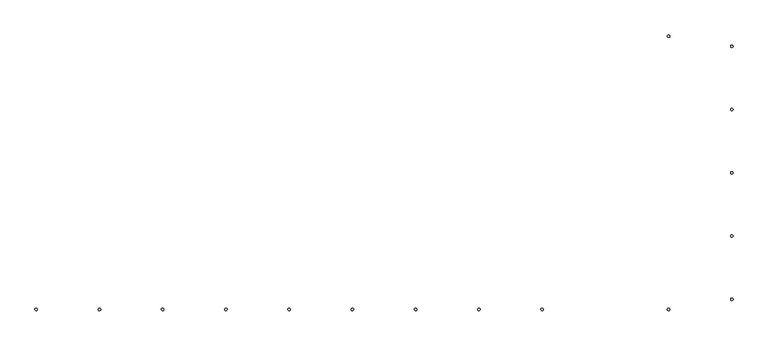
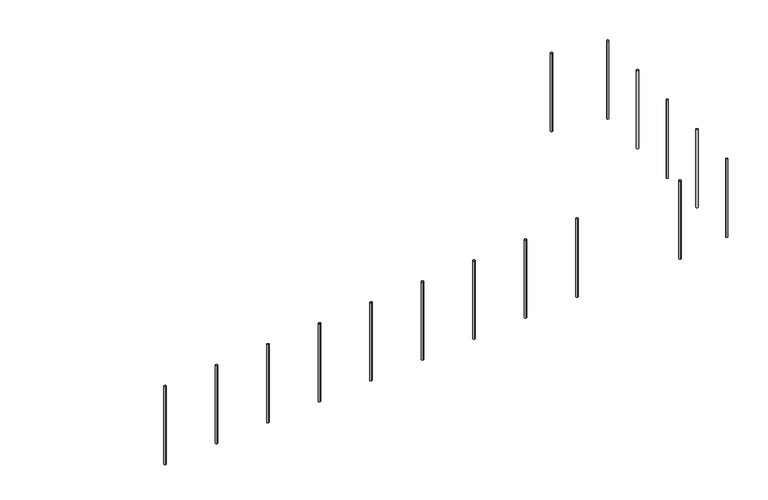
"""IFC4 building model written with IfcOpenShell, lengths in millimetres: railing geometry."""

from ifc_helpers import new_model, si_unit, point, frame, frame_2d, origin, place, context, project, spatial, circle_curve, ellipse_curve, trimmed, segment, composite_curve, outline, extrude, source, transform, mapped, element, save
from ifc_brep_helpers import plane_surface, cylinder_surface, advanced_brep


def railing_c89f53fb(model_context):
    return source(origin(), model_context, "Body", "SolidModel", [
        extrude(outline(composite_curve([segment(trimmed(circle_curve(frame_2d((-5739.9887159, -18536.8920513)), 10.0), [point((-5739.9887159, -18526.8920513))], [point((-5739.9887159, -18546.8920513))], False, "CARTESIAN"), True, "CONTINUOUS"), segment(trimmed(circle_curve(frame_2d((-5739.9887159, -18536.8920513)), 10.0), [point((-5739.9887159, -18546.8920513))], [point((-5739.9887159, -18526.8920513))], False, "CARTESIAN"), True, "CONTINUOUS")], self_intersect=False)), frame((0.0, 0.0, -740.0), z_axis=(0.0, 0.0, 1.0), x_axis=(1.0, 0.0, 0.0)), (0.0, 0.0, 1.0), 800.0),
        extrude(outline(composite_curve([segment(trimmed(circle_curve(frame_2d((-5239.9887159, -18616.8920513)), 10.0), [point((-5229.9887159, -18616.8920513))], [point((-5249.9887159, -18616.8920513))], False, "CARTESIAN"), True, "CONTINUOUS"), segment(trimmed(circle_curve(frame_2d((-5239.9887159, -18616.8920513)), 10.0), [point((-5249.9887159, -18616.8920513))], [point((-5229.9887159, -18616.8920513))], False, "CARTESIAN"), True, "CONTINUOUS")], self_intersect=False)), frame((0.0, 0.0, -740.0), z_axis=(0.0, 0.0, 1.0), x_axis=(1.0, 0.0, 0.0)), (0.0, 0.0, 1.0), 800.0),
        extrude(outline(composite_curve([segment(trimmed(circle_curve(frame_2d((-5239.9887159, -19116.8920513)), 10.0), [point((-5229.9887159, -19116.8920513))], [point((-5249.9887159, -19116.8920513))], False, "CARTESIAN"), True, "CONTINUOUS"), segment(trimmed(circle_curve(frame_2d((-5239.9887159, -19116.8920513)), 10.0), [point((-5249.9887159, -19116.8920513))], [point((-5229.9887159, -19116.8920513))], False, "CARTESIAN"), True, "CONTINUOUS")], self_intersect=False)), frame((0.0, 0.0, -740.0), z_axis=(0.0, 0.0, 1.0), x_axis=(1.0, 0.0, 0.0)), (0.0, 0.0, 1.0), 800.0),
        extrude(outline(composite_curve([segment(trimmed(circle_curve(frame_2d((-5239.9887159, -19616.8920513)), 10.0), [point((-5229.9887159, -19616.8920513))], [point((-5249.9887159, -19616.8920513))], False, "CARTESIAN"), True, "CONTINUOUS"), segment(trimmed(circle_curve(frame_2d((-5239.9887159, -19616.8920513)), 10.0), [point((-5249.9887159, -19616.8920513))], [point((-5229.9887159, -19616.8920513))], False, "CARTESIAN"), True, "CONTINUOUS")], self_intersect=False)), frame((0.0, 0.0, -740.0), z_axis=(0.0, 0.0, 1.0), x_axis=(1.0, 0.0, 0.0)), (0.0, 0.0, 1.0), 800.0),
        extrude(outline(composite_curve([segment(trimmed(circle_curve(frame_2d((-5239.9887159, -20116.8920513)), 10.0), [point((-5229.9887159, -20116.8920513))], [point((-5249.9887159, -20116.8920513))], False, "CARTESIAN"), True, "CONTINUOUS"), segment(trimmed(circle_curve(frame_2d((-5239.9887159, -20116.8920513)), 10.0), [point((-5249.9887159, -20116.8920513))], [point((-5229.9887159, -20116.8920513))], False, "CARTESIAN"), True, "CONTINUOUS")], self_intersect=False)), frame((0.0, 0.0, -740.0), z_axis=(0.0, 0.0, 1.0), x_axis=(1.0, 0.0, 0.0)), (0.0, 0.0, 1.0), 800.0),
        extrude(outline(composite_curve([segment(trimmed(circle_curve(frame_2d((-5239.9887159, -20616.8920513)), 10.0), [point((-5229.9887159, -20616.8920513))], [point((-5249.9887159, -20616.8920513))], False, "CARTESIAN"), True, "CONTINUOUS"), segment(trimmed(circle_curve(frame_2d((-5239.9887159, -20616.8920513)), 10.0), [point((-5249.9887159, -20616.8920513))], [point((-5229.9887159, -20616.8920513))], False, "CARTESIAN"), True, "CONTINUOUS")], self_intersect=False)), frame((0.0, 0.0, -740.0), z_axis=(0.0, 0.0, 1.0), x_axis=(1.0, 0.0, 0.0)), (0.0, 0.0, 1.0), 800.0),
        extrude(outline(composite_curve([segment(trimmed(circle_curve(frame_2d((-5739.9887159, -20696.8920513)), 10.0), [point((-5739.9887159, -20706.8920513))], [point((-5739.9887159, -20686.8920513))], False, "CARTESIAN"), True, "CONTINUOUS"), segment(trimmed(circle_curve(frame_2d((-5739.9887159, -20696.8920513)), 10.0), [point((-5739.9887159, -20686.8920513))], [point((-5739.9887159, -20706.8920513))], False, "CARTESIAN"), True, "CONTINUOUS")], self_intersect=False)), frame((0.0, 0.0, -740.0), z_axis=(0.0, 0.0, 1.0), x_axis=(1.0, 0.0, 0.0)), (0.0, 0.0, 1.0), 800.0),
        advanced_brep(
        [(-6739.9887159, -20686.8920513, 19.8722041), (-6739.9887159, -20706.8920513, 19.8722041), (-6739.9887159, -20706.8920513, -780.0), (-6739.9887159, -20686.8920513, -780.0)],
        [
            (0, 1, ellipse_curve(frame((-6739.9887159, -20696.8920513, 19.8722041), z_axis=(0.07974522228288877, 0.0, -0.9968152785361252), x_axis=(0.9968152785361252, 0.0, 0.07974522228288722)), 10.031949, 10.0)),
            (1, 2),
            (2, 3, ellipse_curve(frame((-6739.9887159, -20696.8920513, -780.0), z_axis=(-0.07974522228288976, 0.0, 0.9968152785361251), x_axis=(0.9968152785361251, 0.0, 0.07974522228288902)), 10.031949, 10.0)),
            (3, 0),
            (3, 2, ellipse_curve(frame((-6739.9887159, -20696.8920513, -780.0), z_axis=(-0.07974522228288976, 0.0, 0.9968152785361251), x_axis=(0.9968152785361251, 0.0, 0.07974522228288902)), 10.031949, 10.0)),
            (1, 0, ellipse_curve(frame((-6739.9887159, -20696.8920513, 19.8722041), z_axis=(0.07974522228288877, 0.0, -0.9968152785361252), x_axis=(0.9968152785361252, 0.0, 0.07974522228288722)), 10.031949, 10.0)),
        ],
        [
            cylinder_surface(frame((-6739.9887159, -20696.8920513, -880.0), z_axis=(0.0, 0.0, 1.0), x_axis=(0.0, -1.0, 0.0)), 10.0),
            plane_surface(frame((-6719.9887159, -20716.8920513, 21.4722041), z_axis=(-0.07974522228288877, 0.0, 0.9968152785361252), x_axis=(0.0, 1.0, 0.0))),
            plane_surface(frame((-6759.9887159, -20716.8920513, -781.6), z_axis=(0.07974522228288976, 0.0, -0.9968152785361251), x_axis=(0.0, 1.0, 0.0))),
        ],
        [
            (0, [[1, 2, 3, 4]]),
            (0, [[5, -2, 6, -4]]),
            (1, [[-6, -1]]),
            (2, [[-5, -3]]),
        ],
    ),
        advanced_brep(
        [(-7239.9887159, -20686.8920513, -20.1277959), (-7239.9887159, -20706.8920513, -20.1277959), (-7239.9887159, -20706.8920513, -820.0), (-7239.9887159, -20686.8920513, -820.0)],
        [
            (0, 1, ellipse_curve(frame((-7239.9887159, -20696.8920513, -20.1277959), z_axis=(0.07974522228288877, 0.0, -0.9968152785361252), x_axis=(0.9968152785361252, 0.0, 0.07974522228288722)), 10.031949, 10.0)),
            (1, 2),
            (2, 3, ellipse_curve(frame((-7239.9887159, -20696.8920513, -820.0), z_axis=(-0.07974522228288976, 0.0, 0.9968152785361251), x_axis=(0.9968152785361251, 0.0, 0.07974522228288902)), 10.031949, 10.0)),
            (3, 0),
            (3, 2, ellipse_curve(frame((-7239.9887159, -20696.8920513, -820.0), z_axis=(-0.07974522228288976, 0.0, 0.9968152785361251), x_axis=(0.9968152785361251, 0.0, 0.07974522228288902)), 10.031949, 10.0)),
            (1, 0, ellipse_curve(frame((-7239.9887159, -20696.8920513, -20.1277959), z_axis=(0.07974522228288877, 0.0, -0.9968152785361252), x_axis=(0.9968152785361252, 0.0, 0.07974522228288722)), 10.031949, 10.0)),
        ],
        [
            cylinder_surface(frame((-7239.9887159, -20696.8920513, -920.0), z_axis=(0.0, 0.0, 1.0), x_axis=(0.0, -1.0, 0.0)), 10.0),
            plane_surface(frame((-7219.9887159, -20716.8920513, -18.5277959), z_axis=(-0.07974522228288877, 0.0, 0.9968152785361252), x_axis=(0.0, 1.0, 0.0))),
            plane_surface(frame((-7259.9887159, -20716.8920513, -821.6), z_axis=(0.07974522228288976, 0.0, -0.9968152785361251), x_axis=(0.0, 1.0, 0.0))),
        ],
        [
            (0, [[1, 2, 3, 4]]),
            (0, [[5, -2, 6, -4]]),
            (1, [[-6, -1]]),
            (2, [[-5, -3]]),
        ],
    ),
        advanced_brep(
        [(-7739.9887159, -20686.8920513, -60.1277959), (-7739.9887159, -20706.8920513, -60.1277959), (-7739.9887159, -20706.8920513, -860.0), (-7739.9887159, -20686.8920513, -860.0)],
        [
            (0, 1, ellipse_curve(frame((-7739.9887159, -20696.8920513, -60.1277959), z_axis=(0.07974522228288877, 0.0, -0.9968152785361252), x_axis=(0.9968152785361252, 0.0, 0.07974522228288722)), 10.031949, 10.0)),
            (1, 2),
            (2, 3, ellipse_curve(frame((-7739.9887159, -20696.8920513, -860.0), z_axis=(-0.07974522228288976, 0.0, 0.9968152785361251), x_axis=(0.9968152785361251, 0.0, 0.07974522228288902)), 10.031949, 10.0)),
            (3, 0),
            (3, 2, ellipse_curve(frame((-7739.9887159, -20696.8920513, -860.0), z_axis=(-0.07974522228288976, 0.0, 0.9968152785361251), x_axis=(0.9968152785361251, 0.0, 0.07974522228288902)), 10.031949, 10.0)),
            (1, 0, ellipse_curve(frame((-7739.9887159, -20696.8920513, -60.1277959), z_axis=(0.07974522228288877, 0.0, -0.9968152785361252), x_axis=(0.9968152785361252, 0.0, 0.07974522228288722)), 10.031949, 10.0)),
        ],
        [
            cylinder_surface(frame((-7739.9887159, -20696.8920513, -960.0), z_axis=(0.0, 0.0, 1.0), x_axis=(0.0, -1.0, 0.0)), 10.0),
            plane_surface(frame((-7719.9887159, -20716.8920513, -58.5277959), z_axis=(-0.07974522228288877, 0.0, 0.9968152785361252), x_axis=(0.0, 1.0, 0.0))),
            plane_surface(frame((-7759.9887159, -20716.8920513, -861.6), z_axis=(0.07974522228288976, 0.0, -0.9968152785361251), x_axis=(0.0, 1.0, 0.0))),
        ],
        [
            (0, [[1, 2, 3, 4]]),
            (0, [[5, -2, 6, -4]]),
            (1, [[-6, -1]]),
            (2, [[-5, -3]]),
        ],
    ),
        advanced_brep(
        [(-8239.9887159, -20686.8920513, -100.1277959), (-8239.9887159, -20706.8920513, -100.1277959), (-8239.9887159, -20706.8920513, -900.0), (-8239.9887159, -20686.8920513, -900.0)],
        [
            (0, 1, ellipse_curve(frame((-8239.9887159, -20696.8920513, -100.1277959), z_axis=(0.07974522228288877, 0.0, -0.9968152785361252), x_axis=(0.9968152785361252, 0.0, 0.07974522228288722)), 10.031949, 10.0)),
            (1, 2),
            (2, 3, ellipse_curve(frame((-8239.9887159, -20696.8920513, -900.0), z_axis=(-0.07974522228288976, 0.0, 0.9968152785361251), x_axis=(0.9968152785361251, 0.0, 0.07974522228288902)), 10.031949, 10.0)),
            (3, 0),
            (3, 2, ellipse_curve(frame((-8239.9887159, -20696.8920513, -900.0), z_axis=(-0.07974522228288976, 0.0, 0.9968152785361251), x_axis=(0.9968152785361251, 0.0, 0.07974522228288902)), 10.031949, 10.0)),
            (1, 0, ellipse_curve(frame((-8239.9887159, -20696.8920513, -100.1277959), z_axis=(0.07974522228288877, 0.0, -0.9968152785361252), x_axis=(0.9968152785361252, 0.0, 0.07974522228288722)), 10.031949, 10.0)),
        ],
        [
            cylinder_surface(frame((-8239.9887159, -20696.8920513, -1000.0), z_axis=(0.0, 0.0, 1.0), x_axis=(0.0, -1.0, 0.0)), 10.0),
            plane_surface(frame((-8219.9887159, -20716.8920513, -98.5277959), z_axis=(-0.07974522228288877, 0.0, 0.9968152785361252), x_axis=(0.0, 1.0, 0.0))),
            plane_surface(frame((-8259.9887159, -20716.8920513, -901.6), z_axis=(0.07974522228288976, 0.0, -0.9968152785361251), x_axis=(0.0, 1.0, 0.0))),
        ],
        [
            (0, [[1, 2, 3, 4]]),
            (0, [[5, -2, 6, -4]]),
            (1, [[-6, -1]]),
            (2, [[-5, -3]]),
        ],
    ),
        advanced_brep(
        [(-8739.9887159, -20686.8920513, -140.1277959), (-8739.9887159, -20706.8920513, -140.1277959), (-8739.9887159, -20706.8920513, -940.0), (-8739.9887159, -20686.8920513, -940.0)],
        [
            (0, 1, ellipse_curve(frame((-8739.9887159, -20696.8920513, -140.1277959), z_axis=(0.07974522228288877, 0.0, -0.9968152785361252), x_axis=(0.9968152785361252, 0.0, 0.07974522228288722)), 10.031949, 10.0)),
            (1, 2),
            (2, 3, ellipse_curve(frame((-8739.9887159, -20696.8920513, -940.0), z_axis=(-0.07974522228288976, 0.0, 0.9968152785361251), x_axis=(0.9968152785361251, 0.0, 0.07974522228288902)), 10.031949, 10.0)),
            (3, 0),
            (3, 2, ellipse_curve(frame((-8739.9887159, -20696.8920513, -940.0), z_axis=(-0.07974522228288976, 0.0, 0.9968152785361251), x_axis=(0.9968152785361251, 0.0, 0.07974522228288902)), 10.031949, 10.0)),
            (1, 0, ellipse_curve(frame((-8739.9887159, -20696.8920513, -140.1277959), z_axis=(0.07974522228288877, 0.0, -0.9968152785361252), x_axis=(0.9968152785361252, 0.0, 0.07974522228288722)), 10.031949, 10.0)),
        ],
        [
            cylinder_surface(frame((-8739.9887159, -20696.8920513, -1040.0), z_axis=(0.0, 0.0, 1.0), x_axis=(0.0, -1.0, 0.0)), 10.0),
            plane_surface(frame((-8719.9887159, -20716.8920513, -138.5277959), z_axis=(-0.07974522228288877, 0.0, 0.9968152785361252), x_axis=(0.0, 1.0, 0.0))),
            plane_surface(frame((-8759.9887159, -20716.8920513, -941.6), z_axis=(0.07974522228288976, 0.0, -0.9968152785361251), x_axis=(0.0, 1.0, 0.0))),
        ],
        [
            (0, [[1, 2, 3, 4]]),
            (0, [[5, -2, 6, -4]]),
            (1, [[-6, -1]]),
            (2, [[-5, -3]]),
        ],
    ),
        advanced_brep(
        [(-9239.9887159, -20686.8920513, -180.1277959), (-9239.9887159, -20706.8920513, -180.1277959), (-9239.9887159, -20706.8920513, -980.0), (-9239.9887159, -20686.8920513, -980.0)],
        [
            (0, 1, ellipse_curve(frame((-9239.9887159, -20696.8920513, -180.1277959), z_axis=(0.07974522228288877, 0.0, -0.9968152785361252), x_axis=(0.9968152785361252, 0.0, 0.07974522228288722)), 10.031949, 10.0)),
            (1, 2),
            (2, 3, ellipse_curve(frame((-9239.9887159, -20696.8920513, -980.0), z_axis=(-0.07974522228288976, 0.0, 0.9968152785361251), x_axis=(0.9968152785361251, 0.0, 0.07974522228288902)), 10.031949, 10.0)),
            (3, 0),
            (3, 2, ellipse_curve(frame((-9239.9887159, -20696.8920513, -980.0), z_axis=(-0.07974522228288976, 0.0, 0.9968152785361251), x_axis=(0.9968152785361251, 0.0, 0.07974522228288902)), 10.031949, 10.0)),
            (1, 0, ellipse_curve(frame((-9239.9887159, -20696.8920513, -180.1277959), z_axis=(0.07974522228288877, 0.0, -0.9968152785361252), x_axis=(0.9968152785361252, 0.0, 0.07974522228288722)), 10.031949, 10.0)),
        ],
        [
            cylinder_surface(frame((-9239.9887159, -20696.8920513, -1080.0), z_axis=(0.0, 0.0, 1.0), x_axis=(0.0, -1.0, 0.0)), 10.0),
            plane_surface(frame((-9219.9887159, -20716.8920513, -178.5277959), z_axis=(-0.07974522228288877, 0.0, 0.9968152785361252), x_axis=(0.0, 1.0, 0.0))),
            plane_surface(frame((-9259.9887159, -20716.8920513, -981.6), z_axis=(0.07974522228288976, 0.0, -0.9968152785361251), x_axis=(0.0, 1.0, 0.0))),
        ],
        [
            (0, [[1, 2, 3, 4]]),
            (0, [[5, -2, 6, -4]]),
            (1, [[-6, -1]]),
            (2, [[-5, -3]]),
        ],
    ),
        advanced_brep(
        [(-9739.9887159, -20686.8920513, -220.1277959), (-9739.9887159, -20706.8920513, -220.1277959), (-9739.9887159, -20706.8920513, -1020.0), (-9739.9887159, -20686.8920513, -1020.0)],
        [
            (0, 1, ellipse_curve(frame((-9739.9887159, -20696.8920513, -220.1277959), z_axis=(0.07974522228288877, 0.0, -0.9968152785361252), x_axis=(0.9968152785361252, 0.0, 0.07974522228288722)), 10.031949, 10.0)),
            (1, 2),
            (2, 3, ellipse_curve(frame((-9739.9887159, -20696.8920513, -1020.0), z_axis=(-0.07974522228288976, 0.0, 0.9968152785361251), x_axis=(0.9968152785361251, 0.0, 0.07974522228288902)), 10.031949, 10.0)),
            (3, 0),
            (3, 2, ellipse_curve(frame((-9739.9887159, -20696.8920513, -1020.0), z_axis=(-0.07974522228288976, 0.0, 0.9968152785361251), x_axis=(0.9968152785361251, 0.0, 0.07974522228288902)), 10.031949, 10.0)),
            (1, 0, ellipse_curve(frame((-9739.9887159, -20696.8920513, -220.1277959), z_axis=(0.07974522228288877, 0.0, -0.9968152785361252), x_axis=(0.9968152785361252, 0.0, 0.07974522228288722)), 10.031949, 10.0)),
        ],
        [
            cylinder_surface(frame((-9739.9887159, -20696.8920513, -1120.0), z_axis=(0.0, 0.0, 1.0), x_axis=(0.0, -1.0, 0.0)), 10.0),
            plane_surface(frame((-9719.9887159, -20716.8920513, -218.5277959), z_axis=(-0.07974522228288877, 0.0, 0.9968152785361252), x_axis=(0.0, 1.0, 0.0))),
            plane_surface(frame((-9759.9887159, -20716.8920513, -1021.6), z_axis=(0.07974522228288976, 0.0, -0.9968152785361251), x_axis=(0.0, 1.0, 0.0))),
        ],
        [
            (0, [[1, 2, 3, 4]]),
            (0, [[5, -2, 6, -4]]),
            (1, [[-6, -1]]),
            (2, [[-5, -3]]),
        ],
    ),
        advanced_brep(
        [(-10239.9887159, -20686.8920513, -260.1277959), (-10239.9887159, -20706.8920513, -260.1277959), (-10239.9887159, -20706.8920513, -1060.0), (-10239.9887159, -20686.8920513, -1060.0)],
        [
            (0, 1, ellipse_curve(frame((-10239.9887159, -20696.8920513, -260.1277959), z_axis=(0.07974522228288877, 0.0, -0.9968152785361252), x_axis=(0.9968152785361252, 0.0, 0.07974522228288722)), 10.031949, 10.0)),
            (1, 2),
            (2, 3, ellipse_curve(frame((-10239.9887159, -20696.8920513, -1060.0), z_axis=(-0.07974522228288976, 0.0, 0.9968152785361251), x_axis=(0.9968152785361251, 0.0, 0.07974522228288902)), 10.031949, 10.0)),
            (3, 0),
            (3, 2, ellipse_curve(frame((-10239.9887159, -20696.8920513, -1060.0), z_axis=(-0.07974522228288976, 0.0, 0.9968152785361251), x_axis=(0.9968152785361251, 0.0, 0.07974522228288902)), 10.031949, 10.0)),
            (1, 0, ellipse_curve(frame((-10239.9887159, -20696.8920513, -260.1277959), z_axis=(0.07974522228288877, 0.0, -0.9968152785361252), x_axis=(0.9968152785361252, 0.0, 0.07974522228288722)), 10.031949, 10.0)),
        ],
        [
            cylinder_surface(frame((-10239.9887159, -20696.8920513, -1160.0), z_axis=(0.0, 0.0, 1.0), x_axis=(0.0, -1.0, 0.0)), 10.0),
            plane_surface(frame((-10219.9887159, -20716.8920513, -258.5277959), z_axis=(-0.07974522228288877, 0.0, 0.9968152785361252), x_axis=(0.0, 1.0, 0.0))),
            plane_surface(frame((-10259.9887159, -20716.8920513, -1061.6), z_axis=(0.07974522228288976, 0.0, -0.9968152785361251), x_axis=(0.0, 1.0, 0.0))),
        ],
        [
            (0, [[1, 2, 3, 4]]),
            (0, [[5, -2, 6, -4]]),
            (1, [[-6, -1]]),
            (2, [[-5, -3]]),
        ],
    ),
        advanced_brep(
        [(-10739.9887159, -20686.8920513, -300.1277959), (-10739.9887159, -20706.8920513, -300.1277959), (-10739.9887159, -20706.8920513, -1100.0), (-10739.9887159, -20686.8920513, -1100.0)],
        [
            (0, 1, ellipse_curve(frame((-10739.9887159, -20696.8920513, -300.1277959), z_axis=(0.07974522228288877, 0.0, -0.9968152785361252), x_axis=(0.9968152785361252, 0.0, 0.07974522228288722)), 10.031949, 10.0)),
            (1, 2),
            (2, 3, ellipse_curve(frame((-10739.9887159, -20696.8920513, -1100.0), z_axis=(-0.07974522228288976, 0.0, 0.9968152785361251), x_axis=(0.9968152785361251, 0.0, 0.07974522228288902)), 10.031949, 10.0)),
            (3, 0),
            (3, 2, ellipse_curve(frame((-10739.9887159, -20696.8920513, -1100.0), z_axis=(-0.07974522228288976, 0.0, 0.9968152785361251), x_axis=(0.9968152785361251, 0.0, 0.07974522228288902)), 10.031949, 10.0)),
            (1, 0, ellipse_curve(frame((-10739.9887159, -20696.8920513, -300.1277959), z_axis=(0.07974522228288877, 0.0, -0.9968152785361252), x_axis=(0.9968152785361252, 0.0, 0.07974522228288722)), 10.031949, 10.0)),
        ],
        [
            cylinder_surface(frame((-10739.9887159, -20696.8920513, -1200.0), z_axis=(0.0, 0.0, 1.0), x_axis=(0.0, -1.0, 0.0)), 10.0),
            plane_surface(frame((-10719.9887159, -20716.8920513, -298.5277959), z_axis=(-0.07974522228288877, 0.0, 0.9968152785361252), x_axis=(0.0, 1.0, 0.0))),
            plane_surface(frame((-10759.9887159, -20716.8920513, -1101.6), z_axis=(0.07974522228288976, 0.0, -0.9968152785361251), x_axis=(0.0, 1.0, 0.0))),
        ],
        [
            (0, [[1, 2, 3, 4]]),
            (0, [[5, -2, 6, -4]]),
            (1, [[-6, -1]]),
            (2, [[-5, -3]]),
        ],
    ),
    ])


if __name__ == "__main__":
    model = new_model("IFC4")
    model_context = context("Model", 3, world=origin())
    ifc_project = project(units=[si_unit("LENGTHUNIT", "METRE", prefix="MILLI")], contexts=[model_context])
    site = spatial("IfcSite", under=ifc_project)
    building = spatial("IfcBuilding", under=site)
    placement = place(None, origin())
    railing_shape = railing_c89f53fb(model_context)
    element("IfcRailing", 1, at=placement, inside=building, context=model_context, shape_type="MappedRepresentation", body=[
        mapped(railing_shape, transform((0.0, 0.0, 0.0), x_axis=(1.0, 0.0, 0.0), y_axis=(0.0, 1.0, 0.0), z_axis=(0.0, 0.0, 1.0))),
    ])
    save(model, "model.ifc")
